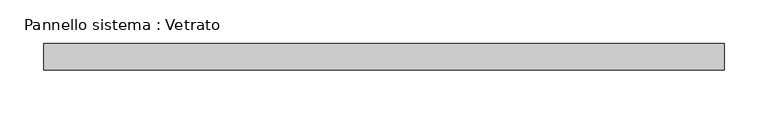
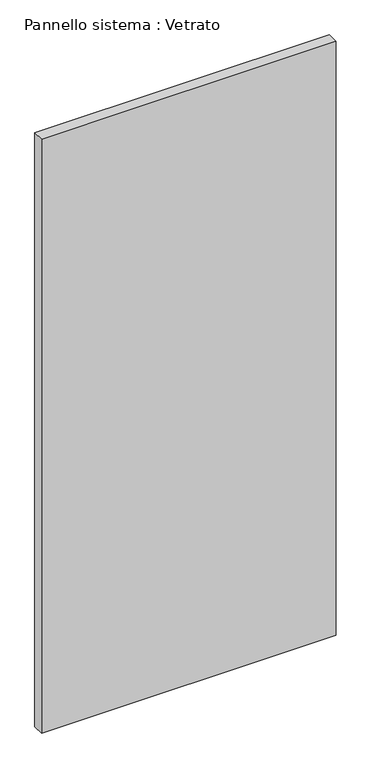
"""IFC4 building model written with IfcOpenShell, lengths in millimetres: plate geometry, Pannello sistema : Vetrato."""

from ifc_helpers import new_model, si_unit, origin, origin_with_axes, place, context, project, spatial, polyline, outline, extrude, source, transform, mapped, element, save


def pannello_sistema_vetrato_c222b05a(model_context):
    return source(origin(), model_context, "Body", "SweptSolid", [
        extrude(outline(polyline([(387.5000455, -15.0), (-387.5000455, -15.0), (-387.5000455, 15.0), (387.5000455, 15.0), (387.5000455, -15.0)])), origin_with_axes(), (0.0, 0.0, 1.0), 1650.0),
    ])


if __name__ == "__main__":
    model = new_model("IFC4")
    model_context = context("Model", 3, world=origin())
    ifc_project = project(units=[si_unit("LENGTHUNIT", "METRE", prefix="MILLI")], contexts=[model_context])
    site = spatial("IfcSite", under=ifc_project)
    building = spatial("IfcBuilding", under=site)
    placement = place(None, origin())
    pannello_sistema_vetrato_shape = pannello_sistema_vetrato_c222b05a(model_context)
    element("IfcPlate", 1, ObjectType="Pannello sistema : Vetrato", at=placement, inside=building, context=model_context, shape_type="MappedRepresentation", body=[
        mapped(pannello_sistema_vetrato_shape, transform((0.0, 0.0, 0.0), x_axis=(1.0, 0.0, 0.0), y_axis=(0.0, 1.0, 0.0), z_axis=(0.0, 0.0, 1.0))),
    ])
    save(model, "model.ifc")
